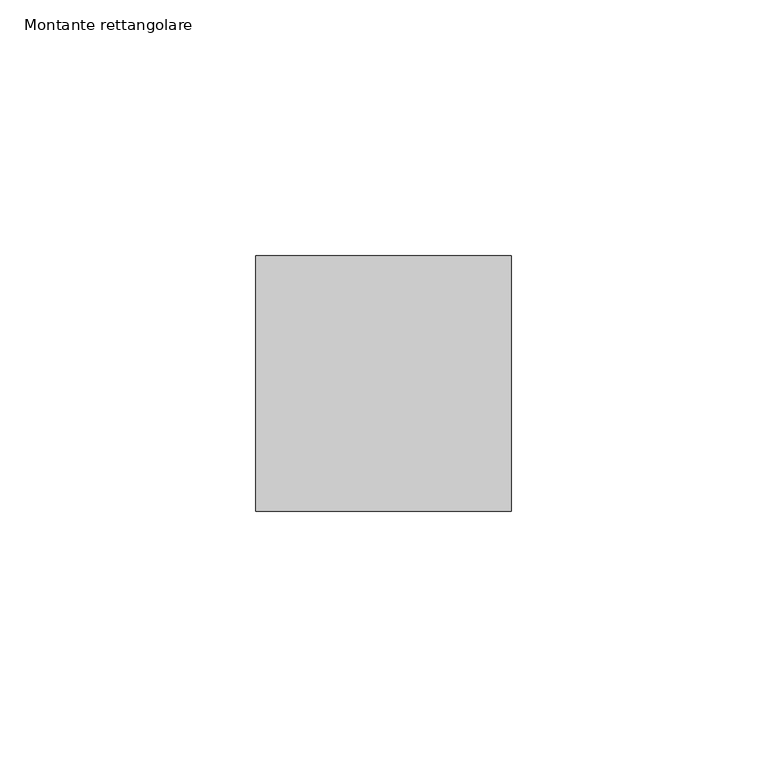
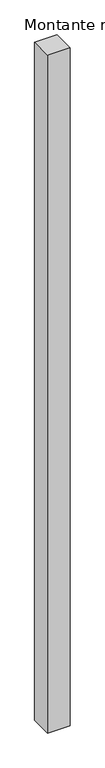
"""IFC4 building model written with IfcOpenShell, lengths in millimetres: member geometry, Montante rettangolare."""

from ifc_helpers import new_model, si_unit, frame, origin, place, context, project, spatial, polyline, outline, extrude, source, transform, mapped, element, save


def montante_rettangolare_2229b381(model_context):
    return source(origin(), model_context, "Body", "SweptSolid", [
        extrude(outline(polyline([(0.0, 25.0), (0.0, -25.0), (-50.0, -25.0), (-50.0, 25.0), (0.0, 25.0)])), frame((0.0, 0.0, -1600.0), z_axis=(0.0, 0.0, 1.0), x_axis=(1.0, 0.0, 0.0)), (0.0, 0.0, 1.0), 1600.0),
    ])


if __name__ == "__main__":
    model = new_model("IFC4")
    model_context = context("Model", 3, world=origin())
    ifc_project = project(units=[si_unit("LENGTHUNIT", "METRE", prefix="MILLI")], contexts=[model_context])
    site = spatial("IfcSite", under=ifc_project)
    building = spatial("IfcBuilding", under=site)
    placement = place(None, origin())
    montante_rettangolare_shape = montante_rettangolare_2229b381(model_context)
    element("IfcMember", 1, ObjectType="Montante rettangolare", at=placement, inside=building, context=model_context, shape_type="MappedRepresentation", body=[
        mapped(montante_rettangolare_shape, transform((0.0, 0.0, 0.0), x_axis=(1.0, 0.0, 0.0), y_axis=(0.0, 1.0, 0.0), z_axis=(0.0, 0.0, 1.0))),
    ])
    save(model, "model.ifc")
